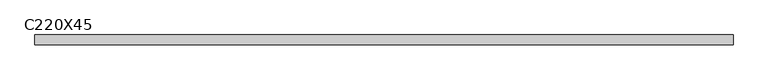
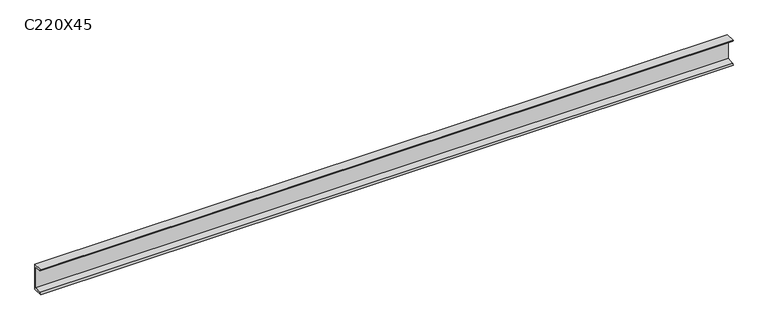
"""IFC4 building model written with IfcOpenShell, lengths in millimetres: beam geometry, C220X45."""

from ifc_helpers import new_model, si_unit, point, frame, frame_2d, origin, place, context, project, spatial, polyline, circle_curve, trimmed, segment, composite_curve, outline, extrude, source, transform, mapped, element, save


def c220x45_3ac5d792(model_context):
    return source(origin(), model_context, "Body", "SweptSolid", [
        extrude(outline(composite_curve([segment(polyline([(17.0, 110.0), (17.0, -110.0), (-64.0, -110.0)]), True, "CONTINUOUS"), segment(trimmed(circle_curve(frame_2d((-51.0, -110.0)), 13.0), [point((-64.0, -110.0))], [point((-51.0, -97.0))], False, "CARTESIAN"), True, "CONTINUOUS"), segment(polyline([(-51.0, -97.0), (4.0, -88.2888558), (4.0, 88.2888558), (-51.0, 97.0)]), True, "CONTINUOUS"), segment(trimmed(circle_curve(frame_2d((-51.0, 110.0)), 13.0), [point((-51.0, 97.0))], [point((-64.0, 110.0))], False, "CARTESIAN"), True, "CONTINUOUS"), segment(polyline([(-64.0, 110.0), (17.0, 110.0)]), True, "CONTINUOUS")], self_intersect=False)), frame((-2893.5, 0.0, 0.0), z_axis=(1.0, 0.0, 0.0), x_axis=(0.0, 1.0, 0.0)), (0.0, 0.0, 1.0), 5787.0),
    ])


if __name__ == "__main__":
    model = new_model("IFC4")
    model_context = context("Model", 3, world=origin())
    ifc_project = project(units=[si_unit("LENGTHUNIT", "METRE", prefix="MILLI")], contexts=[model_context])
    site = spatial("IfcSite", under=ifc_project)
    building = spatial("IfcBuilding", under=site)
    placement = place(None, origin())
    c220x45_shape = c220x45_3ac5d792(model_context)
    element("IfcBeam", 1, ObjectType="C220X45", at=placement, inside=building, context=model_context, shape_type="MappedRepresentation", body=[
        mapped(c220x45_shape, transform((0.0, 0.0, 0.0), x_axis=(1.0, 0.0, 0.0), y_axis=(0.0, 1.0, 0.0), z_axis=(0.0, 0.0, 1.0))),
    ])
    save(model, "model.ifc")
